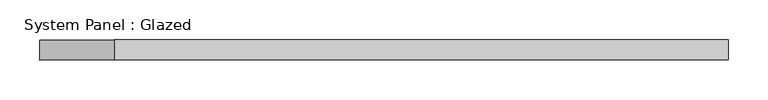
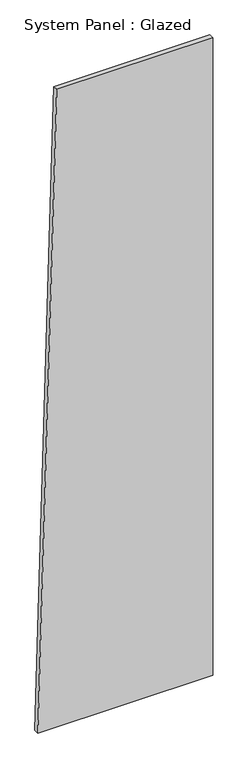
"""IFC4 building model written with IfcOpenShell, lengths in millimetres: plate geometry, System Panel : Glazed."""

from ifc_helpers import new_model, si_unit, frame, origin, place, context, project, spatial, polyline, outline, extrude, source, transform, mapped, element, save


def system_panel_glazed_fc487411(model_context):
    return source(origin(), model_context, "Body", "SweptSolid", [
        extrude(outline(polyline([(0.0, -433.1553277), (0.0, 433.1553277), (3339.8511072, 433.1553277), (3339.8511072, -339.4431326), (0.0, -433.1553277)])), frame((0.0, -49.5, 0.0), z_axis=(0.0, 1.0, 0.0), x_axis=(0.0, 0.0, 1.0)), (0.0, 0.0, 1.0), 25.0),
    ])


if __name__ == "__main__":
    model = new_model("IFC4")
    model_context = context("Model", 3, world=origin())
    ifc_project = project(units=[si_unit("LENGTHUNIT", "METRE", prefix="MILLI")], contexts=[model_context])
    site = spatial("IfcSite", under=ifc_project)
    building = spatial("IfcBuilding", under=site)
    placement = place(None, origin())
    system_panel_glazed_shape = system_panel_glazed_fc487411(model_context)
    element("IfcPlate", 1, ObjectType="System Panel : Glazed", at=placement, inside=building, context=model_context, shape_type="MappedRepresentation", body=[
        mapped(system_panel_glazed_shape, transform((0.0, 0.0, 0.0), x_axis=(1.0, 0.0, 0.0), y_axis=(0.0, 1.0, 0.0), z_axis=(0.0, 0.0, 1.0))),
    ])
    save(model, "model.ifc")
